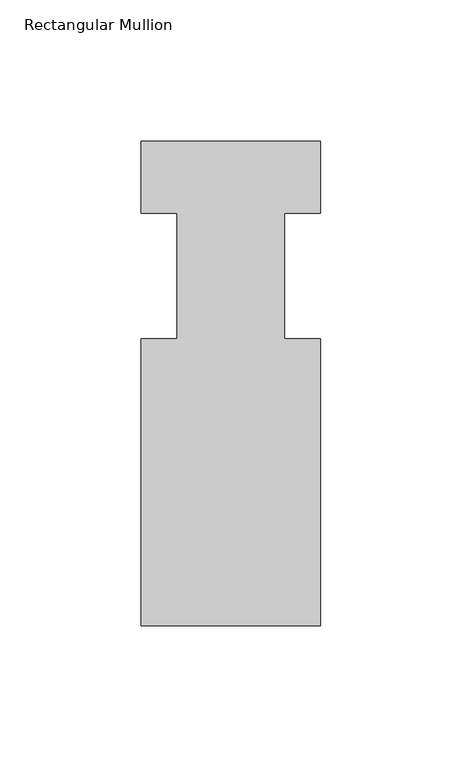
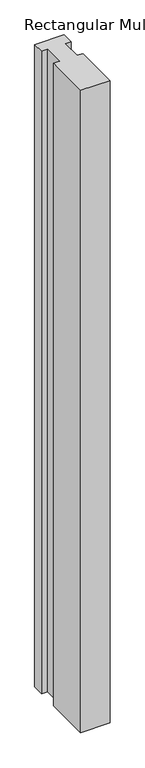
"""IFC4 building model written with IfcOpenShell, lengths in millimetres: member geometry, Rectangular Mullion."""

from ifc_helpers import new_model, si_unit, frame, origin, place, context, project, spatial, polyline, outline, extrude, source, transform, mapped, element, save


def rectangular_mullion_08610166(model_context):
    return source(origin(), model_context, "Body", "SweptSolid", [
        extrude(outline(polyline([(31.75, -123.825), (-31.75, -123.825), (-31.75, -22.225), (-19.05, -22.225), (-19.05, 22.225), (-31.75, 22.225), (-31.75, 47.625), (31.75, 47.625), (31.75, 22.225), (19.05, 22.225), (19.05, -22.225), (31.75, -22.225), (31.75, -123.825)])), frame((0.0, 0.0, -1463.675), z_axis=(0.0, 0.0, 1.0), x_axis=(1.0, 0.0, 0.0)), (0.0, 0.0, 1.0), 1463.675),
    ])


if __name__ == "__main__":
    model = new_model("IFC4")
    model_context = context("Model", 3, world=origin())
    ifc_project = project(units=[si_unit("LENGTHUNIT", "METRE", prefix="MILLI")], contexts=[model_context])
    site = spatial("IfcSite", under=ifc_project)
    building = spatial("IfcBuilding", under=site)
    placement = place(None, origin())
    rectangular_mullion_shape = rectangular_mullion_08610166(model_context)
    element("IfcMember", 1, ObjectType="Rectangular Mullion", at=placement, inside=building, context=model_context, shape_type="MappedRepresentation", body=[
        mapped(rectangular_mullion_shape, transform((0.0, 0.0, 0.0), x_axis=(1.0, 0.0, 0.0), y_axis=(0.0, 1.0, 0.0), z_axis=(0.0, 0.0, 1.0))),
    ])
    save(model, "model.ifc")
